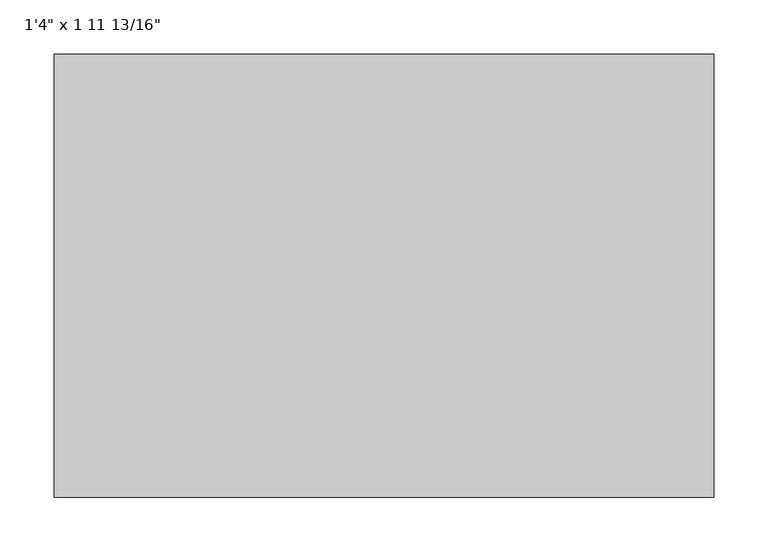
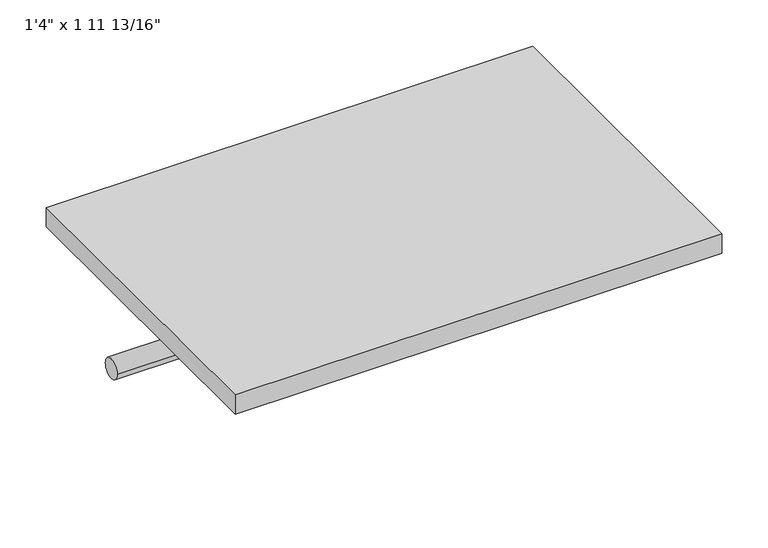
"""IFC4 building model written with IfcOpenShell, lengths in millimetres: furniture geometry."""

from ifc_helpers import new_model, si_unit, point, frame, frame_2d, origin, origin_with_axes, place, context, project, spatial, polyline, circle_curve, trimmed, segment, composite_curve, outline, extrude, source, transform, mapped, element, save


def furniture_397e6cf8(model_context):
    return source(origin(), model_context, "Body", "SweptSolid", [
        extrude(outline(composite_curve([segment(trimmed(circle_curve(frame_2d((-342.9, -101.6)), 12.7), [point((-330.2, -101.6))], [point((-355.6, -101.6))], False, "CARTESIAN"), True, "CONTINUOUS"), segment(trimmed(circle_curve(frame_2d((-342.9, -101.6)), 12.7), [point((-355.6, -101.6))], [point((-330.2, -101.6))], False, "CARTESIAN"), True, "CONTINUOUS")], self_intersect=False)), frame((-283.6810451, 0.0, 0.0), z_axis=(1.0, 0.0, 0.0), x_axis=(0.0, 1.0, 0.0)), (0.0, 0.0, 1.0), 604.8375),
        extrude(outline(polyline([(321.1564549, -203.2), (321.1564549, -609.6), (-283.6810451, -609.6), (-283.6810451, -203.2), (321.1564549, -203.2)])), origin_with_axes(), (0.0, 0.0, 1.0), 25.4),
    ])


if __name__ == "__main__":
    model = new_model("IFC4")
    model_context = context("Model", 3, world=origin())
    ifc_project = project(units=[si_unit("LENGTHUNIT", "METRE", prefix="MILLI")], contexts=[model_context])
    site = spatial("IfcSite", under=ifc_project)
    building = spatial("IfcBuilding", under=site)
    placement = place(None, origin())
    furniture_shape = furniture_397e6cf8(model_context)
    element("IfcFurniture", 1, ObjectType="1'4\" x 1 11 13/16\"", at=placement, inside=building, context=model_context, shape_type="MappedRepresentation", body=[
        mapped(furniture_shape, transform((0.0, 0.0, 0.0), x_axis=(1.0, 0.0, 0.0), y_axis=(0.0, 1.0, 0.0), z_axis=(0.0, 0.0, 1.0))),
    ])
    save(model, "model.ifc")
